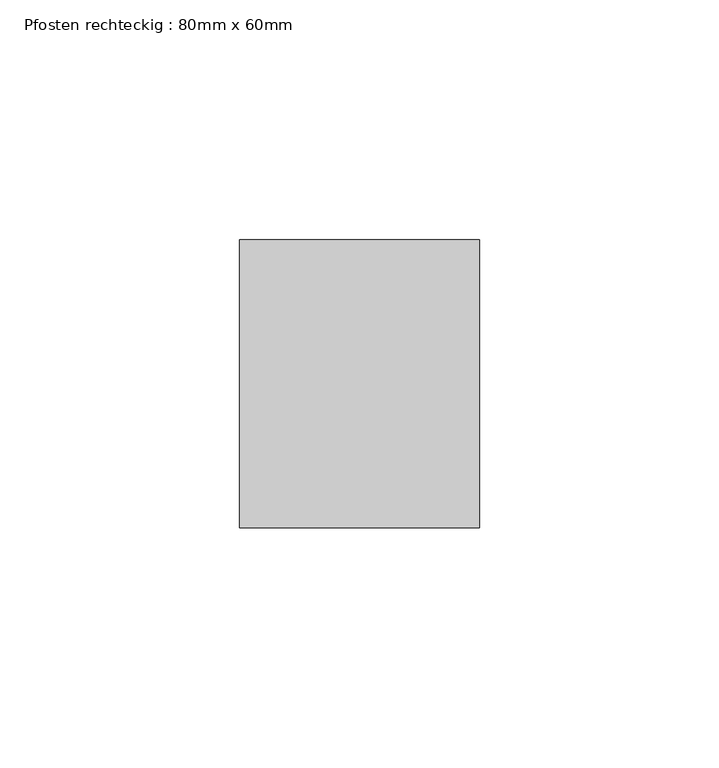
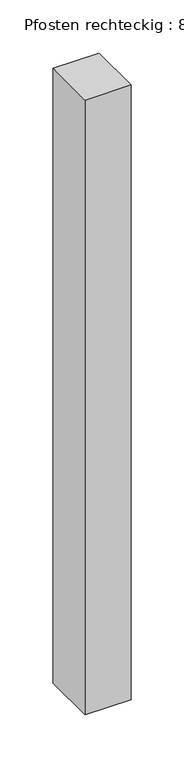
"""IFC4 building model written with IfcOpenShell, lengths in millimetres: member geometry, Pfosten rechteckig : 80mm x 60mm."""

from ifc_helpers import new_model, si_unit, frame, origin, place, context, project, spatial, polyline, outline, extrude, source, transform, mapped, element, save


def pfosten_rechteckig_80mm_x_60mm_d3777b9e(model_context):
    return source(origin(), model_context, "Body", "SweptSolid", [
        extrude(outline(polyline([(0.0, 30.0), (0.0, -30.0), (-50.0, -30.0), (-50.0, 30.0), (0.0, 30.0)])), frame((0.0, 0.0, -705.0), z_axis=(0.0, 0.0, 1.0), x_axis=(1.0, 0.0, 0.0)), (0.0, 0.0, 1.0), 705.0),
    ])


if __name__ == "__main__":
    model = new_model("IFC4")
    model_context = context("Model", 3, world=origin())
    ifc_project = project(units=[si_unit("LENGTHUNIT", "METRE", prefix="MILLI")], contexts=[model_context])
    site = spatial("IfcSite", under=ifc_project)
    building = spatial("IfcBuilding", under=site)
    placement = place(None, origin())
    pfosten_rechteckig_80mm_x_60mm_shape = pfosten_rechteckig_80mm_x_60mm_d3777b9e(model_context)
    element("IfcMember", 1, ObjectType="Pfosten rechteckig : 80mm x 60mm", at=placement, inside=building, context=model_context, shape_type="MappedRepresentation", body=[
        mapped(pfosten_rechteckig_80mm_x_60mm_shape, transform((0.0, 0.0, 0.0), x_axis=(1.0, 0.0, 0.0), y_axis=(0.0, 1.0, 0.0), z_axis=(0.0, 0.0, 1.0))),
    ])
    save(model, "model.ifc")
